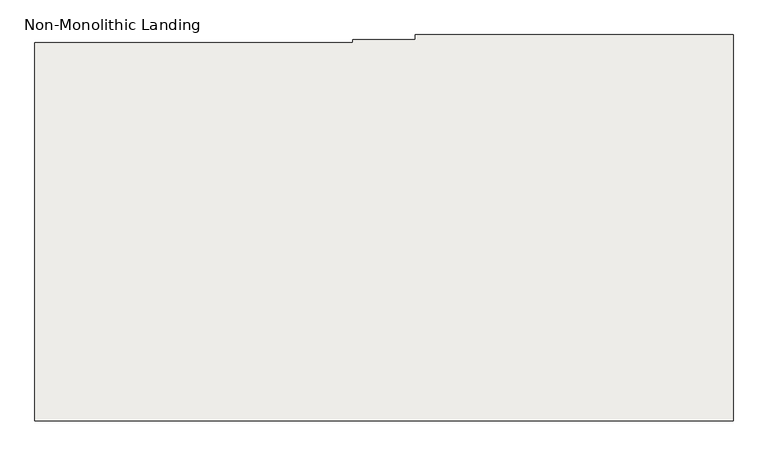
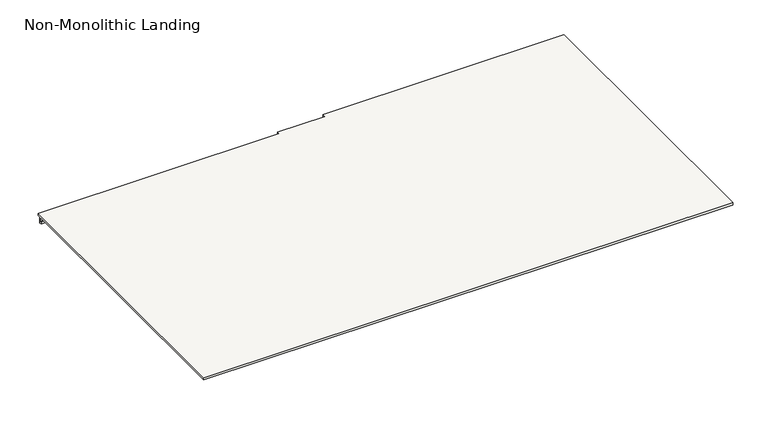
"""IFC4 building model written with IfcOpenShell, lengths in millimetres: slab geometry, Non-Monolithic Landing."""

from ifc_helpers import new_model, si_unit, origin, place, context, project, spatial, faceted_brep, source, transform, mapped, element, save


def non_monolithic_landing_42ef3d74(model_context):
    return source(origin(), model_context, "Body", "Brep", [
        faceted_brep([(-15322.7515248, -12958.9832568, 3979.7647059), (-15322.7515248, -12943.9832568, 3979.7647059), (-16322.7515248, -12943.9832568, 3979.7647059), (-16322.7515248, -12958.9832568, 3979.7647059), (-16519.2515248, -12958.9832568, 3979.7647059), (-16519.2515248, -12968.9832568, 3979.7647059), (-17519.2515248, -12968.9832568, 3979.7647059), (-17519.2515248, -14158.9832568, 3979.7647059), (-15322.7515248, -14158.9832568, 3979.7647059), (-15322.7515248, -12943.9832568, 3969.7647059), (-15322.7515248, -12958.9832568, 3969.7647059), (-15322.7515248, -14158.9832568, 3969.7647059), (-17519.2515248, -14158.9832568, 3969.7647059), (-17519.2515248, -12982.2776112, 3969.7647059), (-16519.2515248, -12982.2776112, 3969.7647059), (-16519.2515248, -12978.9832568, 3969.7647059), (-17519.2515248, -12978.9832568, 3969.7647059), (-17519.2515248, -12968.9832568, 3969.7647059), (-16519.2515248, -12968.9832568, 3969.7647059), (-16519.2515248, -12958.9832568, 3969.7647059), (-16322.7515248, -12958.9832568, 3969.7647059), (-16322.7515248, -12943.9832568, 3969.7647059), (-17519.2515248, -12978.9832568, 3943.8840866), (-17519.2515248, -12988.1775789, 3943.8840866), (-17519.2515248, -12988.1775789, 3953.1427353), (-17519.2515248, -12982.2776112, 3953.1297322), (-16519.2515248, -12988.1775789, 3943.8840866), (-16519.2515248, -12978.9832568, 3943.8840866), (-16519.2515248, -12982.2776112, 3953.1297322), (-16519.2515248, -12988.1775789, 3953.1427353)], [[[0, 1, 2, 3, 4, 5, 6, 7, 8]], [[9, 10, 11, 12, 13, 14, 15, 16, 17, 18, 19, 20, 21]], [[6, 17, 16, 22, 23, 24, 25, 13, 12, 7]], [[8, 7, 12, 11]], [[0, 8, 11, 10]], [[4, 3, 20, 19]], [[2, 1, 9, 21]], [[1, 0, 10, 9]], [[3, 2, 21, 20]], [[6, 5, 18, 17]], [[26, 27, 15, 14, 28, 29]], [[27, 22, 16, 15]], [[23, 22, 27, 26]], [[24, 23, 26, 29]], [[25, 24, 29, 28]], [[25, 28, 14, 13]], [[5, 4, 19, 18]]]),
    ])


if __name__ == "__main__":
    model = new_model("IFC4")
    model_context = context("Model", 3, world=origin())
    ifc_project = project(units=[si_unit("LENGTHUNIT", "METRE", prefix="MILLI")], contexts=[model_context])
    site = spatial("IfcSite", under=ifc_project)
    building = spatial("IfcBuilding", under=site)
    placement = place(None, origin())
    non_monolithic_landing_shape = non_monolithic_landing_42ef3d74(model_context)
    element("IfcSlab", 1, ObjectType="Non-Monolithic Landing", at=placement, inside=building, context=model_context, shape_type="MappedRepresentation", body=[
        mapped(non_monolithic_landing_shape, transform((0.0, 0.0, 0.0), x_axis=(1.0, 0.0, 0.0), y_axis=(0.0, 1.0, 0.0), z_axis=(0.0, 0.0, 1.0))),
    ])
    save(model, "model.ifc")
